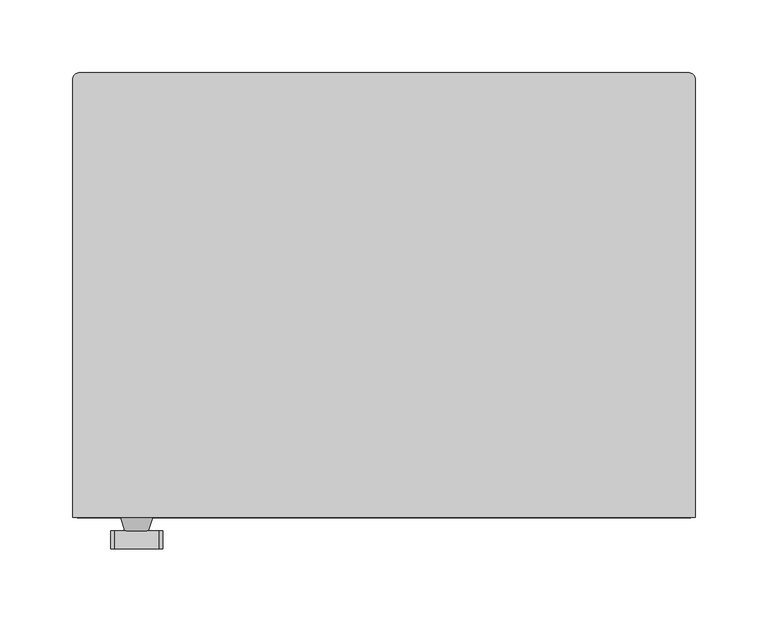
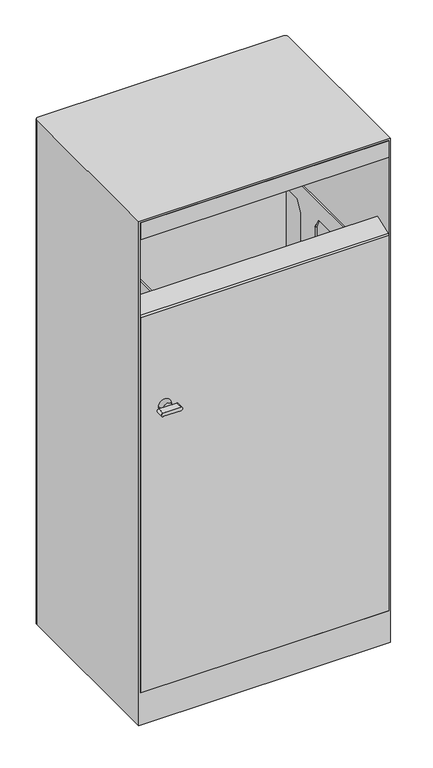
"""IFC4 building model written with IfcOpenShell, lengths in millimetres: furniture geometry."""

import ifcopenshell
import ifcopenshell.guid

model = None  # the IFC model being written
_history = None  # IfcOwnerHistory: only IFC2X3 demands one
_inside = {}  # id of a spatial element -> (the spatial element, [elements in it])
_under = {}  # id of a project, library or spatial element -> (it, [spatial elements below it])
_declared = {}  # id of a project -> (the project, [libraries it declares])
_typed = {}  # id of a type object -> (the type object, [elements of that type])
_made_of = {}  # id of a material, layer set ... -> (it, [elements and type objects made of it])


def new_model(schema):
    """Start an empty IFC model of exactly this schema.

    Asked for "IFC4X3", IfcOpenShell would pick the latest addendum, in which some entities
    have other attributes; the version numbers below select the first issue.
    IFC2X3 requires an IfcOwnerHistory on every rooted entity: one is made here for all.
    """
    global model, _history
    if schema == "IFC4X3":
        model = ifcopenshell.file(schema_version=(4, 3, 0, 0))
    else:
        model = ifcopenshell.file(schema=schema)
    _inside.clear()
    _under.clear()
    _declared.clear()
    _typed.clear()
    _made_of.clear()
    _history = None
    if model.schema == "IFC2X3":
        org = make("IfcOrganization", Name="unknown")
        user = make(
            "IfcPersonAndOrganization",
            ThePerson=make("IfcPerson", FamilyName="unknown"),
            TheOrganization=org,
        )
        app = make(
            "IfcApplication",
            ApplicationDeveloper=org,
            Version="unknown",
            ApplicationFullName="unknown",
            ApplicationIdentifier="unknown",
        )
        _history = make(
            "IfcOwnerHistory",
            OwningUser=user,
            OwningApplication=app,
            ChangeAction="ADDED",
            CreationDate=0,
        )
    return model


def make(cls, **values):
    """One entity of the class cls with the attributes given. An attribute that is None is left unset."""
    return model.create_entity(
        cls, **{name: value for name, value in values.items() if value is not None}
    )


def rooted(cls, **values):
    """An entity with a GlobalId (a new one), such as an element, a storey or a relation."""
    return make(cls, GlobalId=ifcopenshell.guid.new(), OwnerHistory=_history, **values)


def si_unit(unit_type, name, prefix=None):
    """IfcSIUnit, for example si_unit("LENGTHUNIT", "METRE", prefix="MILLI")."""
    return make("IfcSIUnit", UnitType=unit_type, Prefix=prefix, Name=name)


def assignment(units):
    """IfcUnitAssignment: the units of a project."""
    return None if units is None else make("IfcUnitAssignment", Units=units)


def point(xyz):
    """IfcCartesianPoint."""
    return None if xyz is None else make("IfcCartesianPoint", Coordinates=xyz)


def direction(xyz):
    """IfcDirection."""
    return None if xyz is None else make("IfcDirection", DirectionRatios=xyz)


def frame(location, z_axis=None, x_axis=None):
    """IfcAxis2Placement3D, a coordinate frame: its origin and axes. An axis left out is left unset."""
    return make(
        "IfcAxis2Placement3D",
        Location=point(location),
        Axis=direction(z_axis),
        RefDirection=direction(x_axis),
    )


def frame_2d(location, x_axis=None):
    """IfcAxis2Placement2D, a coordinate frame in the plane: its origin and x axis."""
    return make(
        "IfcAxis2Placement2D", Location=point(location), RefDirection=direction(x_axis)
    )


def origin():
    """The frame at (0, 0, 0) with its axes left unset."""
    return frame((0.0, 0.0, 0.0))


def place(relative_to, where):
    """IfcLocalPlacement: puts the frame where relative to a parent placement (None: the world)."""
    return make(
        "IfcLocalPlacement", PlacementRelTo=relative_to, RelativePlacement=where
    )


def context(
    kind, dimensions, precision=None, world=None, true_north=None, identifier=None
):
    """IfcGeometricRepresentationContext, for example the 3D "Model" context."""
    return make(
        "IfcGeometricRepresentationContext",
        ContextIdentifier=identifier,
        ContextType=kind,
        CoordinateSpaceDimension=dimensions,
        Precision=precision,
        WorldCoordinateSystem=world,
        TrueNorth=true_north,
    )


def project(units=None, contexts=None):
    """IfcProject with its units and contexts."""
    return rooted(
        "IfcProject",
        Name="project",
        RepresentationContexts=contexts,
        UnitsInContext=assignment(units),
    )


def spatial(cls, under=None, at=None, **own):
    """A site, building, storey or space (cls), placed at a placement, below another one or the project."""
    s = rooted(cls, ObjectPlacement=at, **own)
    if under is not None:
        _under.setdefault(under.id(), (under, []))[1].append(s)
    return s


def polyline(points):
    """IfcPolyline through the points."""
    return make("IfcPolyline", Points=[point(p) for p in points])


def circle_curve(where, radius):
    """IfcCircle in the frame where."""
    return make("IfcCircle", Position=where, Radius=radius)


def trimmed(basis, trim1, trim2, sense, master):
    """IfcTrimmedCurve: the piece of a basis curve between two trims."""
    return make(
        "IfcTrimmedCurve",
        BasisCurve=basis,
        Trim1=trim1,
        Trim2=trim2,
        SenseAgreement=sense,
        MasterRepresentation=master,
    )


def segment(curve, same_sense, transition):
    """IfcCompositeCurveSegment."""
    return make(
        "IfcCompositeCurveSegment",
        Transition=transition,
        SameSense=same_sense,
        ParentCurve=curve,
    )


def composite_curve(segments, self_intersect=None):
    """IfcCompositeCurve: segments joined end to end."""
    return make("IfcCompositeCurve", Segments=segments, SelfIntersect=self_intersect)


def outline(outer, holes=None, kind="AREA"):
    """IfcArbitraryClosedProfileDef: a profile drawn as a closed curve; with holes, ...WithVoids."""
    if holes is None:
        return make("IfcArbitraryClosedProfileDef", ProfileType=kind, OuterCurve=outer)
    return make(
        "IfcArbitraryProfileDefWithVoids",
        ProfileType=kind,
        OuterCurve=outer,
        InnerCurves=holes,
    )


def extrude(swept, where, along, depth):
    """IfcExtrudedAreaSolid: the profile swept, set in the frame where, extruded along a direction by depth."""
    return make(
        "IfcExtrudedAreaSolid",
        SweptArea=swept,
        Position=where,
        ExtrudedDirection=direction(along),
        Depth=depth,
    )


def shape(context_of_items, identifier, shape_type, items):
    """IfcShapeRepresentation: the items that make up one representation, for example the "Body"."""
    return make(
        "IfcShapeRepresentation",
        ContextOfItems=context_of_items,
        RepresentationIdentifier=identifier,
        RepresentationType=shape_type,
        Items=items,
    )


def source(mapping_origin, context_of_items, identifier, shape_type, items):
    """IfcRepresentationMap: a shape defined once, which mapped items show again and again."""
    return make(
        "IfcRepresentationMap",
        MappingOrigin=mapping_origin,
        MappedRepresentation=shape(context_of_items, identifier, shape_type, items),
    )


def transform(
    local_origin,
    x_axis=None,
    y_axis=None,
    z_axis=None,
    scale=None,
    scale2=None,
    scale3=None,
    uniform=True,
):
    """IfcCartesianTransformationOperator3D, or its non-uniform kind. x_axis, y_axis, z_axis: its Axis1, 2, 3."""
    if uniform:
        return make(
            "IfcCartesianTransformationOperator3D",
            Axis1=direction(x_axis),
            Axis2=direction(y_axis),
            LocalOrigin=point(local_origin),
            Scale=scale,
            Axis3=direction(z_axis),
        )
    return make(
        "IfcCartesianTransformationOperator3DnonUniform",
        Axis1=direction(x_axis),
        Axis2=direction(y_axis),
        LocalOrigin=point(local_origin),
        Scale=scale,
        Axis3=direction(z_axis),
        Scale2=scale2,
        Scale3=scale3,
    )


def mapped(mapping_source, mapping_target):
    """IfcMappedItem: shows the shape of a source again, moved by a transform."""
    return make(
        "IfcMappedItem", MappingSource=mapping_source, MappingTarget=mapping_target
    )


def made_of(thing, what):
    """Note that an element or type object is made of a material, layer set ...; save() writes the relation."""
    if what is not None:
        _made_of.setdefault(what.id(), (what, []))[1].append(thing)
    return thing


def element(
    cls,
    number,
    at=None,
    inside=None,
    cuts=None,
    type_object=None,
    material=None,
    context=None,
    identifier="Body",
    shape_type=None,
    held_by="IfcProductDefinitionShape",
    body=None,
    shapes=None,
    **own,
):
    """One element of the class cls, such as IfcWall. Its Tag is "e" and its number.

    at: its placement. inside: the storey or other place that contains it. cuts: it is an
    opening in that element (IfcRelVoidsElement). A single representation is given by context,
    identifier, shape_type and body (its items); several are given by shapes. held_by: the class
    of the entity that holds the representations. save() writes the other relations.
    """
    e = rooted(cls, Tag="e%d" % number, ObjectPlacement=at, **own)
    if body is not None:
        shapes = [shape(context, identifier, shape_type, body)]
    if shapes is not None:
        e.Representation = make(held_by, Representations=shapes)
    if inside is not None:
        _inside.setdefault(inside.id(), (inside, []))[1].append(e)
    if cuts is not None:
        rooted(
            "IfcRelVoidsElement", RelatingBuildingElement=cuts, RelatedOpeningElement=e
        )
    if type_object is not None:
        _typed.setdefault(type_object.id(), (type_object, []))[1].append(e)
    return made_of(e, material)


def aggregate(whole, parts):
    """IfcRelAggregates: a whole, such as a stair, and the parts it consists of."""
    return rooted("IfcRelAggregates", RelatingObject=whole, RelatedObjects=parts)


def save(model, path):
    """Write the relations noted so far, then the file.

    IfcRelAggregates (storeys below a building ...), IfcRelContainedInSpatialStructure (elements
    in a storey), IfcRelDefinesByType, IfcRelAssociatesMaterial and IfcRelDeclares: one each for
    every whole, place, type object, material and project.
    """
    for whole, parts in _under.values():
        aggregate(whole, parts)
    for where, things in _inside.values():
        rooted(
            "IfcRelContainedInSpatialStructure",
            RelatedElements=things,
            RelatingStructure=where,
        )
    for kind, things in _typed.values():
        rooted("IfcRelDefinesByType", RelatedObjects=things, RelatingType=kind)
    for what, things in _made_of.values():
        rooted("IfcRelAssociatesMaterial", RelatedObjects=things, RelatingMaterial=what)
    for by, libraries in _declared.values():
        rooted("IfcRelDeclares", RelatingContext=by, RelatedDefinitions=libraries)
    model.write(path)


def plane_surface(at):
    """IfcPlane: the flat surface through the origin of the frame at, square to its z axis."""
    return make("IfcPlane", Position=at)


def cylinder_surface(at, radius):
    """IfcCylindricalSurface: all points at the distance radius from the z axis of the frame at."""
    return make("IfcCylindricalSurface", Position=at, Radius=radius)


def revolved_surface(curve, axis_point, axis_direction):
    """IfcSurfaceOfRevolution: the curve turned about the line through axis_point along axis_direction."""
    return make(
        "IfcSurfaceOfRevolution",
        SweptCurve=make("IfcArbitraryOpenProfileDef", ProfileType="CURVE", Curve=curve),
        AxisPosition=make("IfcAxis1Placement", Location=point(axis_point), Axis=direction(axis_direction)),
    )


def advanced_brep(points, edges, surfaces, faces):
    """IfcAdvancedBrep: a solid bounded by faces that lie on surfaces and meet in shared edges.

    An edge is (start, end): straight between two places in points (the first is 0);
    or (start, end, curve); or (start, end, curve, False) where it runs against its curve.
    A face is (place in surfaces, loops), or (place, loops, False) where it looks against
    its surface's normal. A loop lists edges by number (the first is 1), with a minus sign
    where the edge is run from its end to its start. The first loop is the outer one.
    """
    corners = [point(p) for p in points]
    vertices = [make("IfcVertexPoint", VertexGeometry=c) for c in corners]
    made = []
    for start, end, *more in edges:
        made.append(
            make(
                "IfcEdgeCurve",
                EdgeStart=vertices[start],
                EdgeEnd=vertices[end],
                EdgeGeometry=more[0] if more else make("IfcPolyline", Points=[corners[start], corners[end]]),
                SameSense=more[1] if len(more) > 1 else True,
            )
        )
    hull = []
    for where, loops, *sense in faces:
        bounds = []
        for j, loop in enumerate(loops):
            ring = [make("IfcOrientedEdge", EdgeElement=made[abs(k) - 1], Orientation=k > 0) for k in loop]
            bounds.append(
                make(
                    "IfcFaceOuterBound" if j == 0 else "IfcFaceBound",
                    Bound=make("IfcEdgeLoop", EdgeList=ring),
                    Orientation=True,
                )
            )
        hull.append(make("IfcAdvancedFace", Bounds=bounds, FaceSurface=surfaces[where], SameSense=sense[0] if sense else True))
    return make("IfcAdvancedBrep", Outer=make("IfcClosedShell", CfsFaces=hull))


def furniture_861a1112(model_context):
    return source(origin(), model_context, "Body", "SolidModel", [
        advanced_brep(
        [(-162.0, -20.5, 683.0), (-162.0, -20.5, 88.2279667), (-162.0, 20.5, 88.2279667), (-162.0, 20.5, 683.0), (-162.0, 30.5, 703.0), (-162.0, 129.5, 703.0), (-162.0, 129.5, 733.0), (-162.0, -128.5, 733.0), (-162.0, -128.5, 703.0), (-162.0, -30.5, 703.0), (-165.0, 20.5, 683.0), (-165.0, 20.5, 88.2279667), (-165.0, -20.5, 88.2279667), (-165.0, -20.5, 683.0), (-165.0, -30.5, 703.0), (-165.0, -128.5, 703.0), (-165.0, -128.5, 733.0), (-165.0, 129.5, 733.0), (-165.0, 129.5, 703.0), (-165.0, 30.5, 703.0), (159.0, 135.5, 733.0), (-159.0, 135.5, 733.0), (-159.0, -134.5, 733.0), (159.0, -134.5, 733.0), (165.0, -128.5, 733.0), (165.0, 129.5, 733.0), (159.0, 132.5, 733.0), (162.0, 129.5, 733.0), (162.0, -128.5, 733.0), (159.0, -131.5, 733.0), (-159.0, -131.5, 733.0), (-159.0, 132.5, 733.0), (159.0, 135.5, 703.0), (165.0, 129.5, 703.0), (165.0, 30.5, 703.0), (162.0, 30.5, 703.0), (162.0, 129.5, 703.0), (159.0, 132.5, 703.0), (-159.0, 132.5, 703.0), (-159.0, 135.5, 703.0), (165.0, -128.5, 703.0), (159.0, -134.5, 703.0), (-159.0, -134.5, 703.0), (-159.0, -131.5, 703.0), (159.0, -131.5, 703.0), (162.0, -128.5, 703.0), (162.0, -30.5, 703.0), (165.0, -30.5, 703.0), (165.0, -20.5, 683.0), (165.0, -20.5, 88.2279667), (165.0, 20.5, 88.2279667), (165.0, 20.5, 683.0), (162.0, 20.5, 683.0), (162.0, 20.5, 88.2279667), (162.0, -20.5, 88.2279667), (162.0, -20.5, 683.0)],
        [
            (0, 1),
            (1, 2, circle_curve(frame((-162.0, 0.0, 88.2279667), z_axis=(1.0, 0.0, 0.0), x_axis=(0.0, -1.0, 0.0)), 20.5)),
            (2, 3),
            (3, 4),
            (4, 5),
            (5, 6),
            (6, 7),
            (7, 8),
            (8, 9),
            (9, 0),
            (10, 11),
            (11, 12, circle_curve(frame((-165.0, 0.0, 88.2279667), z_axis=(-1.0, 0.0, 0.0), x_axis=(0.0, -1.0, 0.0)), 20.5)),
            (12, 13),
            (13, 14),
            (14, 15),
            (15, 16),
            (16, 17),
            (17, 18),
            (18, 19),
            (19, 10),
            (3, 10),
            (19, 4),
            (13, 0),
            (9, 14),
            (12, 1),
            (11, 2),
            (20, 21),
            (21, 17, circle_curve(frame((-159.0, 129.5, 733.0), z_axis=(0.0, 0.0, 1.0), x_axis=(1.0, 0.0, 0.0)), 6.0)),
            (16, 22, circle_curve(frame((-159.0, -128.5, 733.0), z_axis=(0.0, 0.0, 1.0), x_axis=(1.0, 0.0, 0.0)), 6.0)),
            (22, 23),
            (23, 24, circle_curve(frame((159.0, -128.5, 733.0), z_axis=(0.0, 0.0, 1.0), x_axis=(1.0, 0.0, 0.0)), 6.0)),
            (24, 25),
            (25, 20, circle_curve(frame((159.0, 129.5, 733.0), z_axis=(0.0, 0.0, 1.0), x_axis=(1.0, 0.0, 0.0)), 6.0)),
            (26, 27, circle_curve(frame((159.0, 129.5, 733.0), z_axis=(0.0, 0.0, -1.0), x_axis=(1.0, 0.0, 0.0)), 3.0)),
            (27, 28),
            (28, 29, circle_curve(frame((159.0, -128.5, 733.0), z_axis=(0.0, 0.0, -1.0), x_axis=(1.0, 0.0, 0.0)), 3.0)),
            (29, 30),
            (30, 7, circle_curve(frame((-159.0, -128.5, 733.0), z_axis=(0.0, 0.0, -1.0), x_axis=(1.0, 0.0, 0.0)), 3.0)),
            (6, 31, circle_curve(frame((-159.0, 129.5, 733.0), z_axis=(0.0, 0.0, -1.0), x_axis=(1.0, 0.0, 0.0)), 3.0)),
            (31, 26),
            (32, 33, circle_curve(frame((159.0, 129.5, 703.0), z_axis=(0.0, 0.0, -1.0), x_axis=(1.0, 0.0, 0.0)), 6.0)),
            (33, 34),
            (34, 35),
            (35, 36),
            (36, 37, circle_curve(frame((159.0, 129.5, 703.0), z_axis=(0.0, 0.0, 1.0), x_axis=(1.0, 0.0, 0.0)), 3.0)),
            (37, 38),
            (38, 5, circle_curve(frame((-159.0, 129.5, 703.0), z_axis=(0.0, 0.0, 1.0), x_axis=(1.0, 0.0, 0.0)), 3.0)),
            (18, 39, circle_curve(frame((-159.0, 129.5, 703.0), z_axis=(0.0, 0.0, -1.0), x_axis=(1.0, 0.0, 0.0)), 6.0)),
            (39, 32),
            (40, 41, circle_curve(frame((159.0, -128.5, 703.0), z_axis=(0.0, 0.0, -1.0), x_axis=(1.0, 0.0, 0.0)), 6.0)),
            (41, 42),
            (42, 15, circle_curve(frame((-159.0, -128.5, 703.0), z_axis=(0.0, 0.0, -1.0), x_axis=(1.0, 0.0, 0.0)), 6.0)),
            (8, 43, circle_curve(frame((-159.0, -128.5, 703.0), z_axis=(0.0, 0.0, 1.0), x_axis=(1.0, 0.0, 0.0)), 3.0)),
            (43, 44),
            (44, 45, circle_curve(frame((159.0, -128.5, 703.0), z_axis=(0.0, 0.0, 1.0), x_axis=(1.0, 0.0, 0.0)), 3.0)),
            (45, 46),
            (46, 47),
            (47, 40),
            (20, 32),
            (39, 21),
            (42, 22),
            (41, 23),
            (40, 24),
            (47, 48),
            (48, 49),
            (49, 50, circle_curve(frame((165.0, 0.0, 88.2279667), z_axis=(1.0, 0.0, 0.0), x_axis=(0.0, -1.0, 0.0)), 20.5)),
            (50, 51),
            (51, 34),
            (33, 25),
            (26, 37),
            (36, 27),
            (35, 52),
            (52, 53),
            (53, 54, circle_curve(frame((162.0, 0.0, 88.2279667), z_axis=(-1.0, 0.0, 0.0), x_axis=(0.0, -1.0, 0.0)), 20.5)),
            (54, 55),
            (55, 46),
            (45, 28),
            (44, 29),
            (43, 30),
            (38, 31),
            (51, 52),
            (55, 48),
            (54, 49),
            (53, 50),
        ],
        [
            plane_surface(frame((-162.0, 29.118034, 700.236068), z_axis=(1.0000000000000002, 0.0, 0.0), x_axis=(0.0, 0.44721359549343426, 0.8944271910031778))),
            plane_surface(frame((-165.0, 29.118034, 700.236068), z_axis=(-1.0000000000000002, 0.0, 0.0), x_axis=(0.0, -0.44721359549343426, -0.8944271910031778))),
            plane_surface(frame((-162.0, 20.5, 683.0), z_axis=(0.0, 0.8944271910031778, -0.44721359549343426), x_axis=(-1.0, 0.0, 0.0))),
            plane_surface(frame((-162.0, -31.6803399, 705.3606798), z_axis=(0.0, -0.8944271910031781, -0.44721359549343337), x_axis=(-1.0, 0.0, 0.0))),
            plane_surface(frame((-162.0, -20.5, 683.0), z_axis=(0.0, -1.0, 0.0), x_axis=(-1.0, 0.0, 0.0))),
            cylinder_surface(frame((-165.0, 0.0, 88.2279667), z_axis=(1.0, 0.0, 0.0), x_axis=(0.0, -1.0, 0.0)), 20.5),
            plane_surface(frame((-162.0, 20.5, 88.2279667), z_axis=(0.0, 1.0, 0.0), x_axis=(-1.0, 0.0, 0.0))),
            plane_surface(frame((-158.5002, 135.5, 733.0), z_axis=(0.0, 0.0, 1.0), x_axis=(-1.0, 0.0, 0.0))),
            plane_surface(frame((-158.5002, 135.5, 703.0), z_axis=(0.0, 0.0, -1.0), x_axis=(1.0, 0.0, 0.0))),
            plane_surface(frame((159.0, 135.5, 733.0), z_axis=(0.0, 1.0, 0.0), x_axis=(0.0, 0.0, -1.0))),
            cylinder_surface(frame((-159.0, 129.5, 703.0), z_axis=(0.0, 0.0, 1.0), x_axis=(1.0, 0.0, 0.0)), 6.0),
            cylinder_surface(frame((-159.0, -128.5, 703.0), z_axis=(0.0, 0.0, 1.0), x_axis=(1.0, 0.0, 0.0)), 6.0),
            plane_surface(frame((-159.0, -134.5, 733.0), z_axis=(0.0, -1.0, 0.0), x_axis=(0.0, 0.0, -1.0))),
            cylinder_surface(frame((159.0, -128.5, 703.0), z_axis=(0.0, 0.0, 1.0), x_axis=(1.0, 0.0, 0.0)), 6.0),
            plane_surface(frame((165.0, -128.5, 733.0), z_axis=(1.0, 0.0, 0.0), x_axis=(0.0, 0.0, -1.0))),
            cylinder_surface(frame((159.0, 129.5, 703.0), z_axis=(0.0, 0.0, 1.0), x_axis=(1.0, 0.0, 0.0)), 6.0),
            revolved_surface(polyline([(162.0, 129.5, 703.0), (162.0, 129.5, 733.0)]), (159.0, 129.5, 0.0), (0.0, 0.0, -1.0)),
            plane_surface(frame((162.0, 129.5, 733.0), z_axis=(-1.0, 0.0, 0.0), x_axis=(0.0, 0.0, -1.0))),
            revolved_surface(polyline([(162.0, -128.5, 703.0), (162.0, -128.5, 733.0)]), (159.0, -128.5, 0.0), (0.0, 0.0, -1.0)),
            plane_surface(frame((159.0, -131.5, 733.0), z_axis=(0.0, 1.0, 0.0), x_axis=(0.0, 0.0, -1.0))),
            revolved_surface(polyline([(-156.0, -128.5, 703.0), (-156.0, -128.5, 733.0)]), (-159.0, -128.5, 0.0), (0.0, 0.0, -1.0)),
            revolved_surface(polyline([(-156.0, 129.5, 703.0), (-156.0, 129.5, 733.0)]), (-159.0, 129.5, 0.0), (0.0, 0.0, -1.0)),
            plane_surface(frame((-159.0, 132.5, 733.0), z_axis=(0.0, -1.0, 0.0), x_axis=(0.0, 0.0, -1.0))),
            plane_surface(frame((162.0, 31.6803399, 705.3606798), z_axis=(0.0, 0.8944271910031778, -0.44721359549343426), x_axis=(1.0, 0.0, 0.0))),
            plane_surface(frame((162.0, -20.5, 683.0), z_axis=(0.0, -0.8944271910031781, -0.44721359549343337), x_axis=(1.0, 0.0, 0.0))),
            plane_surface(frame((162.0, -20.5, 88.2279667), z_axis=(0.0, -1.0, 0.0), x_axis=(1.0, 0.0, 0.0))),
            cylinder_surface(frame((165.0, 0.0, 88.2279667), z_axis=(-1.0, 0.0, 0.0), x_axis=(0.0, -1.0, 0.0)), 20.5),
            plane_surface(frame((162.0, 20.5, 683.0), z_axis=(0.0, 1.0, 0.0), x_axis=(1.0, 0.0, 0.0))),
        ],
        [
            (0, [[1, 2, 3, 4, 5, 6, 7, 8, 9, 10]]),
            (1, [[11, 12, 13, 14, 15, 16, 17, 18, 19, 20]]),
            (2, [[21, -20, 22, -4]]),
            (3, [[23, -10, 24, -14]]),
            (4, [[-1, -23, -13, 25]]),
            (5, [[-2, -25, -12, 26]]),
            (6, [[-3, -26, -11, -21]]),
            (7, [[27, 28, -17, 29, 30, 31, 32, 33], [34, 35, 36, 37, 38, -7, 39, 40]]),
            (8, [[41, 42, 43, 44, 45, 46, 47, -5, -22, -19, 48, 49]]),
            (8, [[50, 51, 52, -15, -24, -9, 53, 54, 55, 56, 57, 58]]),
            (9, [[-27, 59, -49, 60]]),
            (10, [[-28, -60, -48, -18]]),
            (11, [[-29, -16, -52, 61]]),
            (12, [[-30, -61, -51, 62]]),
            (13, [[-31, -62, -50, 63]]),
            (14, [[-32, -63, -58, 64, 65, 66, 67, 68, -42, 69]]),
            (15, [[-33, -69, -41, -59]]),
            (16, [[-34, 70, -45, 71]]),
            (17, [[-35, -71, -44, 72, 73, 74, 75, 76, -56, 77]]),
            (18, [[-36, -77, -55, 78]]),
            (19, [[-37, -78, -54, 79]]),
            (20, [[-38, -79, -53, -8]]),
            (21, [[-39, -6, -47, 80]]),
            (22, [[-40, -80, -46, -70]]),
            (23, [[81, -72, -43, -68]]),
            (24, [[82, -64, -57, -76]]),
            (25, [[-75, 83, -65, -82]]),
            (26, [[-74, 84, -66, -83]]),
            (27, [[-73, -81, -67, -84]]),
        ],
    ),
        extrude(outline(composite_curve([segment(polyline([(-150.0, 58.0), (-153.0, 58.0), (-153.0, 731.7149681)]), True, "CONTINUOUS"), segment(trimmed(circle_curve(frame_2d((-150.0, 731.7149681)), 3.0), [point((-153.0, 731.7149681))], [point((-151.0260604, 734.534046))], False, "CARTESIAN"), True, "CONTINUOUS"), segment(polyline([(-151.0260604, 734.534046), (-119.7122948, 745.9313247), (-118.6862344, 743.1122468), (-148.6840403, 732.1939383)]), True, "CONTINUOUS"), segment(trimmed(circle_curve(frame_2d((-148.0, 730.314553)), 2.0), [point((-148.6840403, 732.1939383))], [point((-150.0, 730.314553))], True, "CARTESIAN"), True, "CONTINUOUS"), segment(polyline([(-150.0, 730.314553), (-150.0, 58.0)]), True, "CONTINUOUS")], self_intersect=False)), frame((-211.0, 0.0, 0.0), z_axis=(1.0, 0.0, 0.0), x_axis=(0.0, 1.0, 0.0)), (0.0, 0.0, 1.0), 422.0),
        extrude(outline(polyline([(211.0, -148.0), (211.0, -153.0), (-211.0, -153.0), (-211.0, -148.0), (211.0, -148.0)])), frame((0.0, 0.0, 872.0), z_axis=(0.0, 0.0, 1.0), x_axis=(1.0, 0.0, 0.0)), (0.0, 0.0, 1.0), 30.0),
        advanced_brep(
        [(-209.0, 153.0, 0.0), (209.0, 153.0, 0.0), (214.0, 148.0, 0.0), (214.0, -153.0, 0.0), (-214.0, -153.0, 0.0), (-214.0, 148.0, 0.0), (-211.0, 150.0, 0.0), (-211.0, -150.0, 0.0), (211.0, -150.0, 0.0), (211.0, 150.0, 0.0), (-214.0, 148.0, 902.0), (-209.0, 153.0, 902.0), (-214.0, -153.0, 905.0), (-214.0, 148.0, 905.0), (214.0, -153.0, 905.0), (211.0, -153.0, 902.0), (211.0, -153.0, 58.0), (-211.0, -153.0, 58.0), (-211.0, -153.0, 902.0), (-211.0, 150.0, 902.0), (-211.0, 146.0, 58.0), (-211.0, 146.0, 54.25), (-211.0, -150.0, 54.25), (211.0, 150.0, 902.0), (211.0, -150.0, 54.25), (211.0, 146.0, 54.25), (211.0, 146.0, 58.0), (214.0, 148.0, 902.0), (214.0, 148.0, 905.0), (209.0, 153.0, 902.0), (-209.0, 153.0, 905.0), (209.0, 153.0, 905.0)],
        [
            (0, 1),
            (1, 2, circle_curve(frame((209.0, 148.0, 0.0), z_axis=(0.0, 0.0, -1.0), x_axis=(1.0, 0.0, 0.0)), 5.0)),
            (2, 3),
            (3, 4),
            (4, 5),
            (5, 0, circle_curve(frame((-209.0, 148.0, 0.0), z_axis=(0.0, 0.0, -1.0), x_axis=(1.0, 0.0, 0.0)), 5.0)),
            (6, 7),
            (7, 8),
            (8, 9),
            (9, 6),
            (5, 10),
            (10, 11, circle_curve(frame((-209.0, 148.0, 902.0), z_axis=(0.0, 0.0, -1.0), x_axis=(1.0, 0.0, 0.0)), 5.0)),
            (11, 0),
            (4, 12),
            (12, 13),
            (13, 10),
            (3, 14),
            (14, 12),
            (15, 16),
            (16, 17),
            (17, 18),
            (18, 15),
            (6, 19),
            (19, 18),
            (17, 20),
            (20, 21),
            (21, 22),
            (22, 7),
            (9, 23),
            (23, 19),
            (8, 24),
            (24, 25),
            (25, 26),
            (26, 16),
            (15, 23),
            (2, 27),
            (27, 28),
            (28, 14),
            (1, 29),
            (29, 27, circle_curve(frame((209.0, 148.0, 902.0), z_axis=(0.0, 0.0, -1.0), x_axis=(1.0, 0.0, 0.0)), 5.0)),
            (11, 30),
            (30, 31),
            (31, 29),
            (28, 31, circle_curve(frame((209.0, 148.0, 905.0), z_axis=(0.0, 0.0, 1.0), x_axis=(1.0, 0.0, 0.0)), 5.0)),
            (30, 13, circle_curve(frame((-209.0, 148.0, 905.0), z_axis=(0.0, 0.0, 1.0), x_axis=(1.0, 0.0, 0.0)), 5.0)),
            (22, 24),
            (21, 25),
            (20, 26),
        ],
        [
            plane_surface(frame((-204.0, 148.0, 0.0), z_axis=(0.0, 0.0, -1.0), x_axis=(0.0, -1.0, 0.0))),
            cylinder_surface(frame((-209.0, 148.0, 0.0), z_axis=(0.0, 0.0, 1.0), x_axis=(1.0, 0.0, 0.0)), 5.0),
            plane_surface(frame((-214.0, 148.0, 902.0), z_axis=(-1.0, 0.0, 0.0), x_axis=(0.0, 0.0, -1.0))),
            plane_surface(frame((-214.0, -153.0, 902.0), z_axis=(0.0, -1.0, 0.0), x_axis=(0.0, 0.0, -1.0))),
            plane_surface(frame((-211.0, -153.0, 902.0), z_axis=(1.0, 0.0, 0.0), x_axis=(0.0, 0.0, -1.0))),
            plane_surface(frame((-211.0, 150.0, 902.0), z_axis=(0.0, -1.0, 0.0), x_axis=(0.0, 0.0, -1.0))),
            plane_surface(frame((211.0, 150.0, 902.0), z_axis=(-1.0, 0.0, 0.0), x_axis=(0.0, 0.0, -1.0))),
            plane_surface(frame((214.0, -153.0, 902.0), z_axis=(1.0, 0.0, 0.0), x_axis=(0.0, 0.0, -1.0))),
            cylinder_surface(frame((209.0, 148.0, 0.0), z_axis=(0.0, 0.0, 1.0), x_axis=(1.0, 0.0, 0.0)), 5.0),
            plane_surface(frame((209.0, 153.0, 902.0), z_axis=(0.0, 1.0, 0.0), x_axis=(0.0, 0.0, -1.0))),
            plane_surface(frame((214.0, -153.0, 905.0), z_axis=(0.0, 0.0, 1.0), x_axis=(0.0, 1.0, 0.0))),
            plane_surface(frame((214.0, -153.0, 902.0), z_axis=(0.0, 0.0, -1.0), x_axis=(0.0, -1.0, 0.0))),
            cylinder_surface(frame((209.0, 148.0, 902.0), z_axis=(0.0, 0.0, 1.0), x_axis=(1.0, 0.0, 0.0)), 5.0),
            cylinder_surface(frame((-209.0, 148.0, 902.0), z_axis=(0.0, 0.0, 1.0), x_axis=(1.0, 0.0, 0.0)), 5.0),
            plane_surface(frame((211.0, -150.0, 0.0), z_axis=(0.0, 1.0, 0.0), x_axis=(-1.0, 0.0, 0.0))),
            plane_surface(frame((211.0, -150.0, 54.25), z_axis=(0.0, 0.0, -1.0), x_axis=(-1.0, 0.0, 0.0))),
            plane_surface(frame((211.0, 146.0, 54.25), z_axis=(0.0, 1.0, 0.0), x_axis=(-1.0, 0.0, 0.0))),
            plane_surface(frame((211.0, 146.0, 58.0), z_axis=(0.0, 0.0, 1.0), x_axis=(-1.0, 0.0, 0.0))),
        ],
        [
            (0, [[1, 2, 3, 4, 5, 6], [7, 8, 9, 10]]),
            (1, [[-6, 11, 12, 13]]),
            (2, [[-5, 14, 15, 16, -11]]),
            (3, [[-4, 17, 18, -14], [19, 20, 21, 22]]),
            (4, [[23, 24, -21, 25, 26, 27, 28, -7]]),
            (5, [[-10, 29, 30, -23]]),
            (6, [[-29, -9, 31, 32, 33, 34, -19, 35]]),
            (7, [[-3, 36, 37, 38, -17]]),
            (8, [[-2, 39, 40, -36]]),
            (9, [[-1, -13, 41, 42, 43, -39]]),
            (10, [[-38, 44, -42, 45, -15, -18]]),
            (11, [[-22, -24, -30, -35]]),
            (12, [[-44, -37, -40, -43]]),
            (13, [[-45, -41, -12, -16]]),
            (14, [[-8, -28, 46, -31]]),
            (15, [[-46, -27, 47, -32]]),
            (16, [[-47, -26, 48, -33]]),
            (17, [[-48, -25, -20, -34]]),
        ],
    ),
        extrude(outline(composite_curve([segment(polyline([(564.3032013, -155.0111018), (564.3032013, -184.9600353)]), True, "CONTINUOUS"), segment(trimmed(circle_curve(frame_2d((561.3032013, -184.9600353)), 3.0), [point((564.3032013, -184.9600353))], [point((558.3032013, -184.9600353))], False, "CARTESIAN"), True, "CONTINUOUS"), segment(polyline([(558.3032013, -184.9600353), (558.3032013, -155.0111018)]), True, "CONTINUOUS"), segment(trimmed(circle_curve(frame_2d((561.3032013, -155.0111018)), 3.0), [point((558.3032013, -155.0111018))], [point((564.3032013, -155.0111018))], False, "CARTESIAN"), True, "CONTINUOUS")], self_intersect=False)), frame((0.0, -174.7011382, 0.0), z_axis=(0.0, 1.0, 0.0), x_axis=(0.0, 0.0, 1.0)), (0.0, 0.0, 1.0), 12.4591389),
        advanced_brep(
        [(-178.1115833, -162.2419993, 561.2047655), (-162.1115833, -162.2419993, 561.2047655), (-181.1115833, -153.0, 561.2047655), (-159.1115833, -153.0, 561.2047655)],
        [
            (0, 1, circle_curve(frame((-170.1115833, -162.2419993, 561.2047655), z_axis=(0.0, -1.0, 0.0), x_axis=(-1.0, 0.0, 0.0)), 8.0)),
            (1, 0, circle_curve(frame((-170.1115833, -162.2419993, 561.2047655), z_axis=(0.0, -1.0, 0.0), x_axis=(1.0, 0.0, 0.0)), 8.0)),
            (2, 3, circle_curve(frame((-170.1115833, -153.0, 561.2047655), z_axis=(0.0, 1.0, 0.0), x_axis=(1.0, 0.0, 0.0)), 11.0)),
            (3, 2, circle_curve(frame((-170.1115833, -153.0, 561.2047655), z_axis=(0.0, 1.0, 0.0), x_axis=(-1.0, 0.0, 0.0)), 11.0)),
            (3, 1),
            (0, 2),
        ],
        [
            plane_surface(frame((-170.1115833, -162.2419993, 561.2047655), z_axis=(0.0, -1.0, 0.0), x_axis=(0.0, 0.0, -1.0))),
            plane_surface(frame((-170.1115833, -153.0, 561.2047655), z_axis=(0.0, 1.0, 0.0), x_axis=(0.0, 0.0, -1.0))),
            revolved_surface(polyline([(-178.11158331180383, -162.2419993, 561.2047655), (-181.1115833, -153.0, 561.2047655)]), (-170.1115833, -186.8873309, 561.2047655), (0.0, 1.0, 0.0)),
            revolved_surface(polyline([(-162.1115832881962, -162.2419993, 561.2047655), (-159.1115833, -153.0, 561.2047655)]), (-170.1115833, -186.8873309, 561.2047655), (0.0, 1.0, 0.0)),
        ],
        [
            (0, [[1, 2]]),
            (1, [[3, 4]]),
            (2, [[-4, 5, -1, 6]]),
            (3, [[-3, -6, -2, -5]]),
        ],
    ),
    ])


if __name__ == "__main__":
    model = new_model("IFC4")
    model_context = context("Model", 3, world=origin())
    ifc_project = project(units=[si_unit("LENGTHUNIT", "METRE", prefix="MILLI")], contexts=[model_context])
    site = spatial("IfcSite", under=ifc_project)
    building = spatial("IfcBuilding", under=site)
    placement = place(None, origin())
    furniture_shape = furniture_861a1112(model_context)
    element("IfcFurniture", 1, at=placement, inside=building, context=model_context, shape_type="MappedRepresentation", body=[
        mapped(furniture_shape, transform((0.0, 0.0, 0.0), x_axis=(1.0, 0.0, 0.0), y_axis=(0.0, 1.0, 0.0), z_axis=(0.0, 0.0, 1.0))),
    ])
    save(model, "model.ifc")
